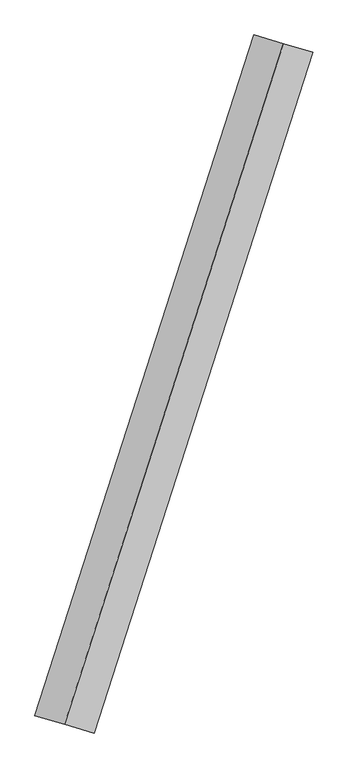
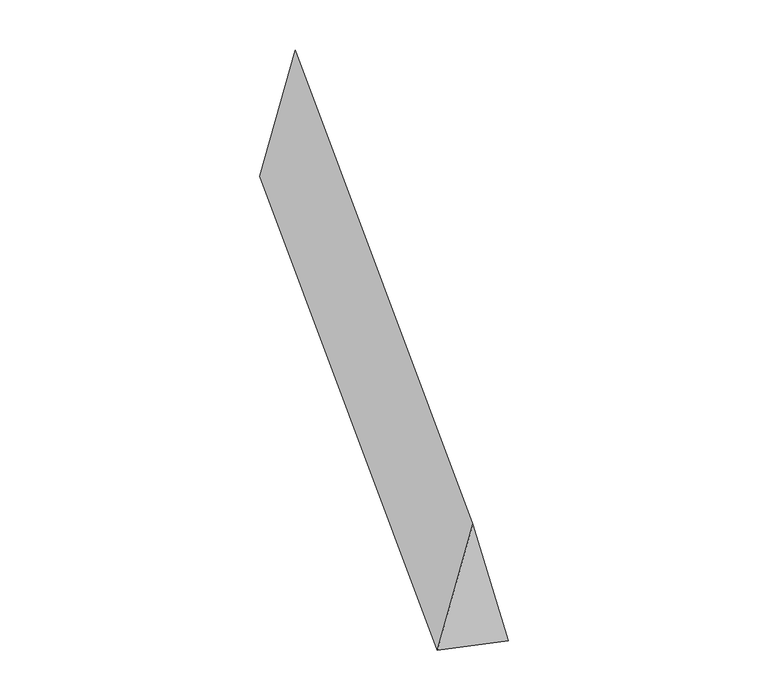
"""IFC4 building model written with IfcOpenShell, lengths in millimetres: proxy geometry."""

from ifc_helpers import new_model, si_unit, origin, place, context, project, spatial, faceted_brep, source, transform, mapped, element, save


def generic_models_bce46e5d(model_context):
    return source(origin(), model_context, "Body", "Brep", [
        faceted_brep([(-613.6285833, -1904.1768186, 700.0), (-447.9715233, -1953.0894881, 0.0), (779.2856432, 1855.2641491, 0.0), (613.6285833, 1904.1768186, 700.0), (-779.2856432, -1855.2641491, 0.0), (447.9715233, 1953.0894881, 0.0)], [[[0, 1, 2, 3]], [[1, 4, 5, 2]], [[4, 0, 3, 5]], [[3, 2, 5]], [[0, 4, 1]]]),
    ])


if __name__ == "__main__":
    model = new_model("IFC4")
    model_context = context("Model", 3, world=origin())
    ifc_project = project(units=[si_unit("LENGTHUNIT", "METRE", prefix="MILLI")], contexts=[model_context])
    site = spatial("IfcSite", under=ifc_project)
    building = spatial("IfcBuilding", under=site)
    placement = place(None, origin())
    generic_models_shape = generic_models_bce46e5d(model_context)
    element("IfcBuildingElementProxy", 1, Name="Generic Models", at=placement, inside=building, context=model_context, shape_type="MappedRepresentation", body=[
        mapped(generic_models_shape, transform((0.0, 0.0, 0.0), x_axis=(1.0, 0.0, 0.0), y_axis=(0.0, 1.0, 0.0), z_axis=(0.0, 0.0, 1.0))),
    ])
    save(model, "model.ifc")
